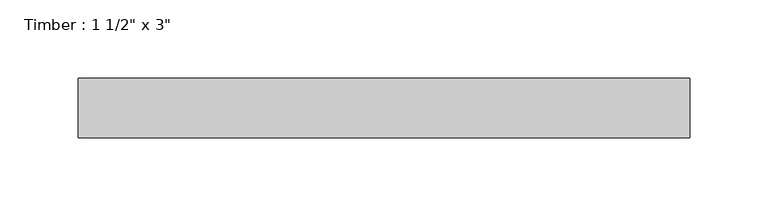
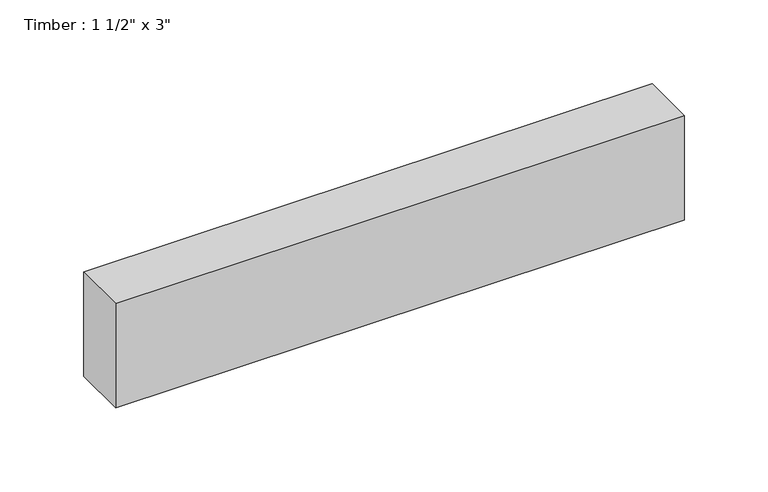
"""IFC4 building model written with IfcOpenShell, lengths in millimetres: beam geometry."""

from ifc_helpers import new_model, si_unit, frame, origin, place, context, project, spatial, polyline, outline, extrude, source, transform, mapped, element, save


def beam_f9242ceb(model_context):
    return source(origin(), model_context, "Body", "SweptSolid", [
        extrude(outline(polyline([(195.8631537, 19.05), (195.8631537, -19.05), (-195.8631537, -19.05), (-195.8631537, 19.05), (195.8631537, 19.05)])), frame((0.0, 0.0, -38.1), z_axis=(0.0, 0.0, 1.0), x_axis=(1.0, 0.0, 0.0)), (0.0, 0.0, 1.0), 76.2),
    ])


if __name__ == "__main__":
    model = new_model("IFC4")
    model_context = context("Model", 3, world=origin())
    ifc_project = project(units=[si_unit("LENGTHUNIT", "METRE", prefix="MILLI")], contexts=[model_context])
    site = spatial("IfcSite", under=ifc_project)
    building = spatial("IfcBuilding", under=site)
    placement = place(None, origin())
    beam_shape = beam_f9242ceb(model_context)
    element("IfcBeam", 1, ObjectType="Timber : 1 1/2\" x 3\"", at=placement, inside=building, context=model_context, shape_type="MappedRepresentation", body=[
        mapped(beam_shape, transform((0.0, 0.0, 0.0), x_axis=(1.0, 0.0, 0.0), y_axis=(0.0, 1.0, 0.0), z_axis=(0.0, 0.0, 1.0))),
    ])
    save(model, "model.ifc")
